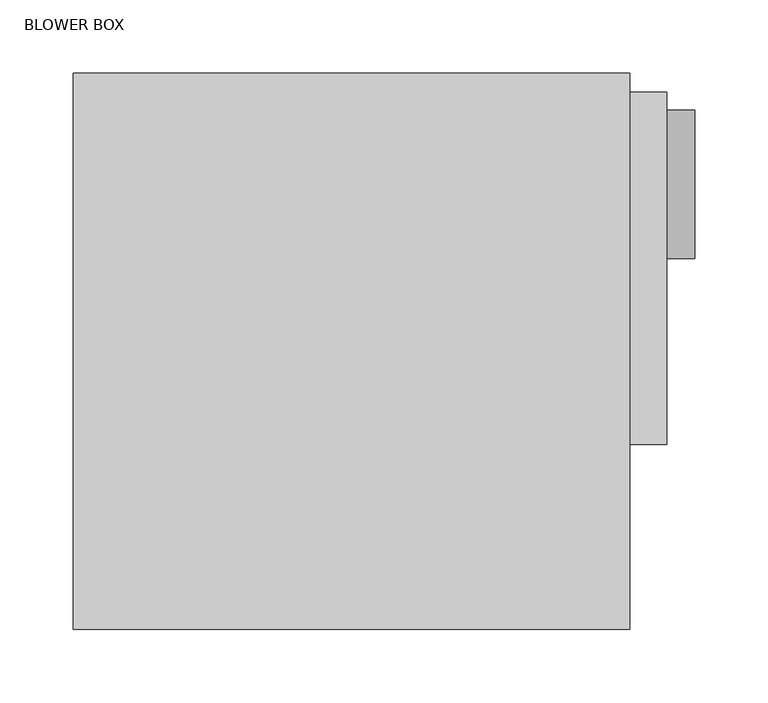
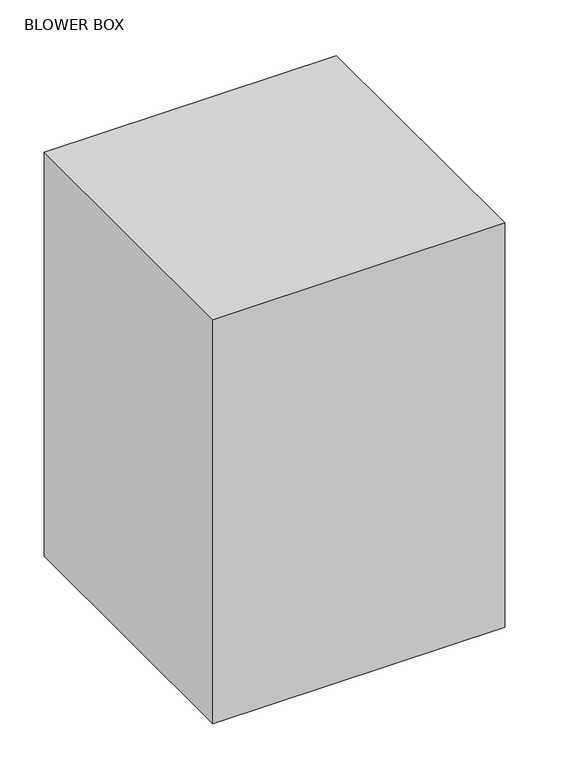
"""IFC4 building model written with IfcOpenShell, lengths in millimetres: proxy geometry, BLOWER BOX."""

from ifc_helpers import new_model, si_unit, point, frame, frame_2d, origin, origin_with_axes, place, context, project, spatial, polyline, circle_curve, trimmed, segment, composite_curve, outline, extrude, source, transform, mapped, element, save


def blower_box_1fd38b0b(model_context):
    return source(origin(), model_context, "Body", "SweptSolid", [
        extrude(outline(composite_curve([segment(trimmed(circle_curve(frame_2d((-76.2824663, 254.6246151)), 50.8), [point((-127.0824663, 254.6246151))], [point((-25.4824663, 254.6246151))], False, "CARTESIAN"), True, "CONTINUOUS"), segment(trimmed(circle_curve(frame_2d((-76.2824663, 254.6246151)), 50.8), [point((-25.4824663, 254.6246151))], [point((-127.0824663, 254.6246151))], False, "CARTESIAN"), True, "CONTINUOUS")], self_intersect=False)), frame((406.4724173, 0.0, 0.0), z_axis=(1.0, 0.0, 0.0), x_axis=(0.0, 1.0, 0.0)), (0.0, 0.0, 1.0), 19.1094512),
        extrude(outline(polyline([(381.0283101, -254.4816802), (381.0283101, -13.193758), (406.4283101, -13.193758), (406.4283101, -254.4816802), (381.0283101, -254.4816802)])), frame((0.0, 0.0, 397.4803988), z_axis=(0.0, 0.0, 1.0), x_axis=(1.0, 0.0, 0.0)), (0.0, 0.0, 1.0), 107.95),
        extrude(outline(polyline([(0.0, -381.0364319), (0.0, 0.0), (381.0283101, 0.0), (381.0283101, -381.0364319), (0.0, -381.0364319)])), origin_with_axes(), (0.0, 0.0, 1.0), 557.8078125),
    ])


if __name__ == "__main__":
    model = new_model("IFC4")
    model_context = context("Model", 3, world=origin())
    ifc_project = project(units=[si_unit("LENGTHUNIT", "METRE", prefix="MILLI")], contexts=[model_context])
    site = spatial("IfcSite", under=ifc_project)
    building = spatial("IfcBuilding", under=site)
    placement = place(None, origin())
    blower_box_shape = blower_box_1fd38b0b(model_context)
    element("IfcBuildingElementProxy", 1, Name="BLOWER BOX", ObjectType="BLOWER BOX", at=placement, inside=building, context=model_context, shape_type="MappedRepresentation", body=[
        mapped(blower_box_shape, transform((0.0, 0.0, 0.0), x_axis=(1.0, 0.0, 0.0), y_axis=(0.0, 1.0, 0.0), z_axis=(0.0, 0.0, 1.0))),
    ])
    save(model, "model.ifc")
